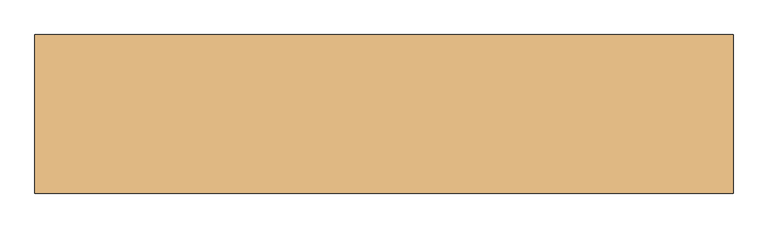
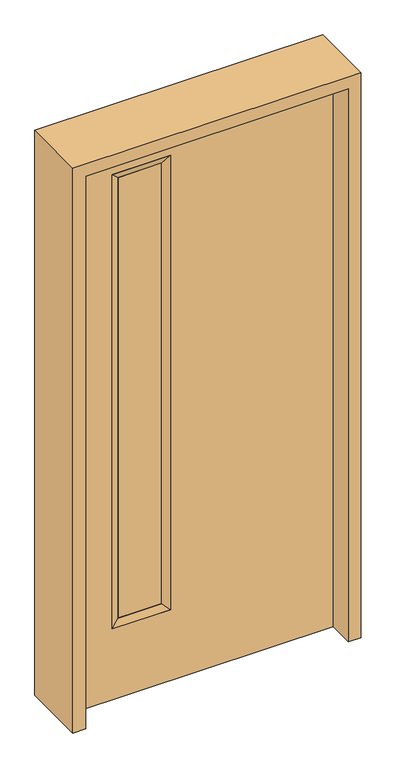
"""IFC4 building model written with IfcOpenShell, lengths in millimetres: door geometry."""

from ifc_helpers import new_model, si_unit, frame, origin, place, context, project, spatial, polyline, outline, extrude, faceted_brep, source, transform, mapped, element, save


def door_0131456e(model_context):
    return source(origin(), model_context, "Body", "SolidModel", [
        faceted_brep([(-107.95, 22.225, 1930.4), (-107.95, -22.225, 1930.4), (-107.95, -22.225, 260.35), (-107.95, 22.225, 260.35), (-133.35, -12.7039749, 1905.0), (-133.35, -12.7039749, 285.75), (-311.15, -22.225, 260.35), (-311.15, 22.225, 260.35), (-133.35, 14.2875, 1905.0), (-133.35, 14.2875, 285.75), (-285.75, 14.2875, 285.75), (-285.75, -12.7039749, 285.75), (-311.15, -22.225, 1930.4), (-311.15, 22.225, 1930.4), (-285.75, 14.2875, 1905.0), (-285.75, -12.7039749, 1905.0)], [[[0, 1, 2, 3]], [[1, 4, 5, 2]], [[3, 2, 6, 7]], [[8, 0, 3, 9]], [[4, 8, 9, 5]], [[5, 9, 10, 11]], [[2, 5, 11, 6]], [[7, 6, 12, 13]], [[9, 3, 7, 10]], [[11, 10, 14, 15]], [[6, 11, 15, 12]], [[10, 7, 13, 14]], [[13, 12, 1, 0]], [[15, 14, 8, 4]], [[12, 15, 4, 1]], [[14, 13, 0, 8]]]),
        extrude(outline(polyline([(2032.0, -457.2), (0.0, -457.2), (0.0, 457.2), (2032.0, 457.2), (2032.0, -457.2)]), holes=[polyline([(1930.4, -107.95), (260.35, -107.95), (260.35, -311.15), (1930.4, -311.15), (1930.4, -107.95)])]), frame((0.0, -22.225, 0.0), z_axis=(0.0, 1.0, 0.0), x_axis=(0.0, 0.0, 1.0)), (0.0, 0.0, 1.0), 44.45),
        extrude(outline(polyline([(-133.35, -12.7039749), (-285.75, -12.7039749), (-285.75, 14.2875), (-133.35, 14.2875), (-133.35, -12.7039749)])), frame((0.0, 0.0, 285.75), z_axis=(0.0, 0.0, 1.0), x_axis=(1.0, 0.0, 0.0)), (0.0, 0.0, 1.0), 1619.25),
        extrude(outline(polyline([(0.0, 457.2), (0.0, 501.65), (2076.45, 501.65), (2076.45, -501.65), (0.0, -501.65), (0.0, -457.2), (2032.0, -457.2), (2032.0, 457.2), (0.0, 457.2)])), frame((0.0, -114.3, 0.0), z_axis=(0.0, 1.0, 0.0), x_axis=(0.0, 0.0, 1.0)), (0.0, 0.0, 1.0), 228.6),
    ])


if __name__ == "__main__":
    model = new_model("IFC4")
    model_context = context("Model", 3, world=origin())
    ifc_project = project(units=[si_unit("LENGTHUNIT", "METRE", prefix="MILLI")], contexts=[model_context])
    site = spatial("IfcSite", under=ifc_project)
    building = spatial("IfcBuilding", under=site)
    placement = place(None, origin())
    door_shape = door_0131456e(model_context)
    element("IfcDoor", 1, at=placement, inside=building, context=model_context, shape_type="MappedRepresentation", body=[
        mapped(door_shape, transform((0.0, 0.0, 0.0), x_axis=(1.0, 0.0, 0.0), y_axis=(0.0, 1.0, 0.0), z_axis=(0.0, 0.0, 1.0))),
    ])
    save(model, "model.ifc")
